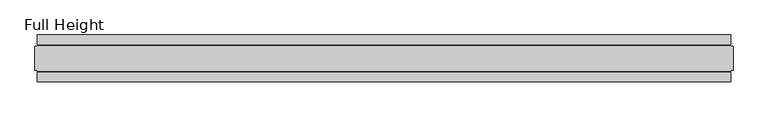
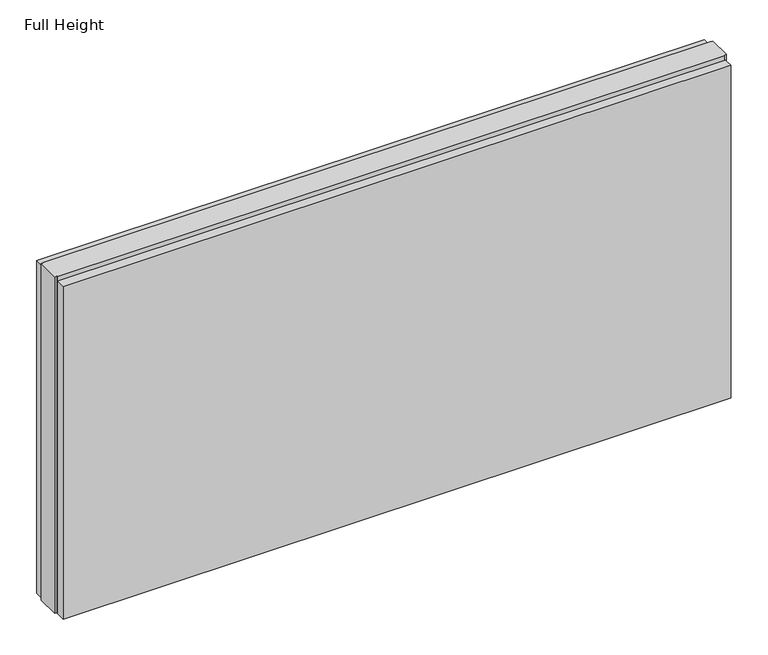
"""IFC4 building model written with IfcOpenShell, lengths in millimetres: plate geometry, Full Height."""

from ifc_helpers import new_model, si_unit, origin, origin_with_axes, place, context, project, spatial, polyline, outline, extrude, source, transform, mapped, element, save


def full_height_2bf33d7d(model_context):
    return source(origin(), model_context, "Body", "SweptSolid", [
        extrude(outline(polyline([(732.028, 28.956), (-732.028, 28.956), (-732.028, 49.53), (732.028, 49.53), (732.028, 28.956)])), origin_with_axes(), (0.0, 0.0, 1.0), 771.652),
        extrude(outline(polyline([(732.028, -28.956), (732.028, -49.53), (-732.028, -49.53), (-732.028, -28.956), (732.028, -28.956)])), origin_with_axes(), (0.0, 0.0, 1.0), 771.652),
        extrude(outline(polyline([(732.028, -25.146), (732.028, -26.67), (-732.028, -26.67), (-732.028, -25.146), (-736.6, -25.146), (-736.6, 25.146), (-732.028, 25.146), (-732.028, 26.67), (732.028, 26.67), (732.028, 25.146), (736.6, 25.146), (736.6, -25.146), (732.028, -25.146)])), origin_with_axes(), (0.0, 0.0, 1.0), 780.796),
    ])


if __name__ == "__main__":
    model = new_model("IFC4")
    model_context = context("Model", 3, world=origin())
    ifc_project = project(units=[si_unit("LENGTHUNIT", "METRE", prefix="MILLI")], contexts=[model_context])
    site = spatial("IfcSite", under=ifc_project)
    building = spatial("IfcBuilding", under=site)
    placement = place(None, origin())
    full_height_shape = full_height_2bf33d7d(model_context)
    element("IfcPlate", 1, ObjectType="Full Height", at=placement, inside=building, context=model_context, shape_type="MappedRepresentation", body=[
        mapped(full_height_shape, transform((0.0, 0.0, 0.0), x_axis=(1.0, 0.0, 0.0), y_axis=(0.0, 1.0, 0.0), z_axis=(0.0, 0.0, 1.0))),
    ])
    save(model, "model.ifc")
